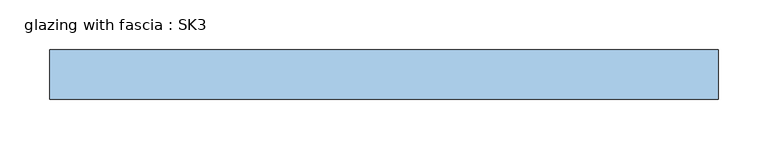
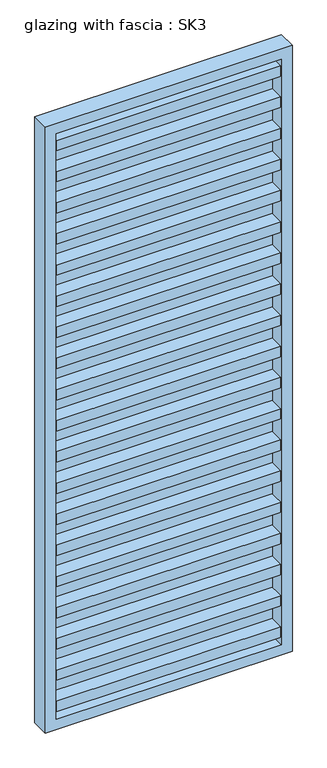
"""IFC4 building model written with IfcOpenShell, lengths in millimetres: window geometry, glazing with fascia : SK3."""

from ifc_helpers import new_model, si_unit, frame, origin, place, context, project, spatial, polyline, outline, extrude, source, transform, mapped, element, save


def glazing_with_fascia_sk3_21107d0b(model_context):
    return source(origin(), model_context, "Body", "SweptSolid", [
        extrude(outline(polyline([(307.5, -0.1334055), (307.5, -8.1334055), (-307.5, -8.1334055), (-307.5, -0.1334055), (307.5, -0.1334055)])), frame((0.0, 0.0, 30.0), z_axis=(0.0, 0.0, 1.0), x_axis=(1.0, 0.0, 0.0)), (0.0, 0.0, 1.0), 1690.0),
        extrude(outline(polyline([(1750.0, -337.5), (0.0, -337.5), (0.0, 337.5), (1750.0, 337.5), (1750.0, -337.5)]), holes=[polyline([(1720.0, -307.5), (1720.0, 307.5), (30.0, 307.5), (30.0, -307.5), (1720.0, -307.5)])]), frame((0.0, -50.0, 0.0), z_axis=(0.0, 1.0, 0.0), x_axis=(0.0, 0.0, 1.0)), (0.0, 0.0, 1.0), 50.0),
        extrude(outline(polyline([(-307.5, -48.1334055), (-307.5, -8.1334055), (307.5, -8.1334055), (307.5, -48.1334055), (-307.5, -48.1334055)])), frame((0.0, 0.0, 1580.4), z_axis=(0.0, 0.0, 1.0), x_axis=(1.0, 0.0, 0.0)), (0.0, 0.0, 1.0), 30.0),
        extrude(outline(polyline([(-307.5, -48.1334055), (-307.5, -8.1334055), (307.5, -8.1334055), (307.5, -48.1334055), (-307.5, -48.1334055)])), frame((0.0, 0.0, 1490.4), z_axis=(0.0, 0.0, 1.0), x_axis=(1.0, 0.0, 0.0)), (0.0, 0.0, 1.0), 30.0),
        extrude(outline(polyline([(-307.5, -48.1334055), (-307.5, -8.1334055), (307.5, -8.1334055), (307.5, -48.1334055), (-307.5, -48.1334055)])), frame((0.0, 0.0, 1400.4), z_axis=(0.0, 0.0, 1.0), x_axis=(1.0, 0.0, 0.0)), (0.0, 0.0, 1.0), 30.0),
        extrude(outline(polyline([(-307.5, -48.1334055), (-307.5, -8.1334055), (307.5, -8.1334055), (307.5, -48.1334055), (-307.5, -48.1334055)])), frame((0.0, 0.0, 1310.4), z_axis=(0.0, 0.0, 1.0), x_axis=(1.0, 0.0, 0.0)), (0.0, 0.0, 1.0), 30.0),
        extrude(outline(polyline([(-307.5, -48.1334055), (-307.5, -8.1334055), (307.5, -8.1334055), (307.5, -48.1334055), (-307.5, -48.1334055)])), frame((0.0, 0.0, 1220.4), z_axis=(0.0, 0.0, 1.0), x_axis=(1.0, 0.0, 0.0)), (0.0, 0.0, 1.0), 30.0),
        extrude(outline(polyline([(-307.5, -48.1334055), (-307.5, -8.1334055), (307.5, -8.1334055), (307.5, -48.1334055), (-307.5, -48.1334055)])), frame((0.0, 0.0, 1130.4), z_axis=(0.0, 0.0, 1.0), x_axis=(1.0, 0.0, 0.0)), (0.0, 0.0, 1.0), 30.0),
        extrude(outline(polyline([(-307.5, -48.1334055), (-307.5, -8.1334055), (307.5, -8.1334055), (307.5, -48.1334055), (-307.5, -48.1334055)])), frame((0.0, 0.0, 1040.4), z_axis=(0.0, 0.0, 1.0), x_axis=(1.0, 0.0, 0.0)), (0.0, 0.0, 1.0), 30.0),
        extrude(outline(polyline([(-307.5, -48.1334055), (-307.5, -8.1334055), (307.5, -8.1334055), (307.5, -48.1334055), (-307.5, -48.1334055)])), frame((0.0, 0.0, 950.4), z_axis=(0.0, 0.0, 1.0), x_axis=(1.0, 0.0, 0.0)), (0.0, 0.0, 1.0), 30.0),
        extrude(outline(polyline([(-307.5, -48.1334055), (-307.5, -8.1334055), (307.5, -8.1334055), (307.5, -48.1334055), (-307.5, -48.1334055)])), frame((0.0, 0.0, 860.4), z_axis=(0.0, 0.0, 1.0), x_axis=(1.0, 0.0, 0.0)), (0.0, 0.0, 1.0), 30.0),
        extrude(outline(polyline([(-307.5, -48.1334055), (-307.5, -8.1334055), (307.5, -8.1334055), (307.5, -48.1334055), (-307.5, -48.1334055)])), frame((0.0, 0.0, 770.4), z_axis=(0.0, 0.0, 1.0), x_axis=(1.0, 0.0, 0.0)), (0.0, 0.0, 1.0), 30.0),
        extrude(outline(polyline([(-307.5, -48.1334055), (-307.5, -8.1334055), (307.5, -8.1334055), (307.5, -48.1334055), (-307.5, -48.1334055)])), frame((0.0, 0.0, 680.4), z_axis=(0.0, 0.0, 1.0), x_axis=(1.0, 0.0, 0.0)), (0.0, 0.0, 1.0), 30.0),
        extrude(outline(polyline([(-307.5, -48.1334055), (-307.5, -8.1334055), (307.5, -8.1334055), (307.5, -48.1334055), (-307.5, -48.1334055)])), frame((0.0, 0.0, 590.4), z_axis=(0.0, 0.0, 1.0), x_axis=(1.0, 0.0, 0.0)), (0.0, 0.0, 1.0), 30.0),
        extrude(outline(polyline([(-307.5, -48.1334055), (-307.5, -8.1334055), (307.5, -8.1334055), (307.5, -48.1334055), (-307.5, -48.1334055)])), frame((0.0, 0.0, 500.4), z_axis=(0.0, 0.0, 1.0), x_axis=(1.0, 0.0, 0.0)), (0.0, 0.0, 1.0), 30.0),
        extrude(outline(polyline([(-307.5, -48.1334055), (-307.5, -8.1334055), (307.5, -8.1334055), (307.5, -48.1334055), (-307.5, -48.1334055)])), frame((0.0, 0.0, 410.4), z_axis=(0.0, 0.0, 1.0), x_axis=(1.0, 0.0, 0.0)), (0.0, 0.0, 1.0), 30.0),
        extrude(outline(polyline([(-307.5, -48.1334055), (-307.5, -8.1334055), (307.5, -8.1334055), (307.5, -48.1334055), (-307.5, -48.1334055)])), frame((0.0, 0.0, 320.4), z_axis=(0.0, 0.0, 1.0), x_axis=(1.0, 0.0, 0.0)), (0.0, 0.0, 1.0), 30.0),
        extrude(outline(polyline([(-307.5, -48.1334055), (-307.5, -8.1334055), (307.5, -8.1334055), (307.5, -48.1334055), (-307.5, -48.1334055)])), frame((0.0, 0.0, 230.4), z_axis=(0.0, 0.0, 1.0), x_axis=(1.0, 0.0, 0.0)), (0.0, 0.0, 1.0), 30.0),
        extrude(outline(polyline([(-307.5, -48.1334055), (-307.5, -8.1334055), (307.5, -8.1334055), (307.5, -48.1334055), (-307.5, -48.1334055)])), frame((0.0, 0.0, 140.4), z_axis=(0.0, 0.0, 1.0), x_axis=(1.0, 0.0, 0.0)), (0.0, 0.0, 1.0), 30.0),
        extrude(outline(polyline([(-307.5, -48.1334055), (-307.5, -8.1334055), (307.5, -8.1334055), (307.5, -48.1334055), (-307.5, -48.1334055)])), frame((0.0, 0.0, 50.4), z_axis=(0.0, 0.0, 1.0), x_axis=(1.0, 0.0, 0.0)), (0.0, 0.0, 1.0), 30.0),
        extrude(outline(polyline([(-307.5, -48.1334055), (-307.5, -8.1334055), (307.5, -8.1334055), (307.5, -48.1334055), (-307.5, -48.1334055)])), frame((0.0, 0.0, 1670.0), z_axis=(0.0, 0.0, 1.0), x_axis=(1.0, 0.0, 0.0)), (0.0, 0.0, 1.0), 30.0),
    ])


if __name__ == "__main__":
    model = new_model("IFC4")
    model_context = context("Model", 3, world=origin())
    ifc_project = project(units=[si_unit("LENGTHUNIT", "METRE", prefix="MILLI")], contexts=[model_context])
    site = spatial("IfcSite", under=ifc_project)
    building = spatial("IfcBuilding", under=site)
    placement = place(None, origin())
    glazing_with_fascia_sk3_shape = glazing_with_fascia_sk3_21107d0b(model_context)
    element("IfcWindow", 1, ObjectType="glazing with fascia : SK3", at=placement, inside=building, context=model_context, shape_type="MappedRepresentation", body=[
        mapped(glazing_with_fascia_sk3_shape, transform((0.0, 0.0, 0.0), x_axis=(1.0, 0.0, 0.0), y_axis=(0.0, 1.0, 0.0), z_axis=(0.0, 0.0, 1.0))),
    ])
    save(model, "model.ifc")
